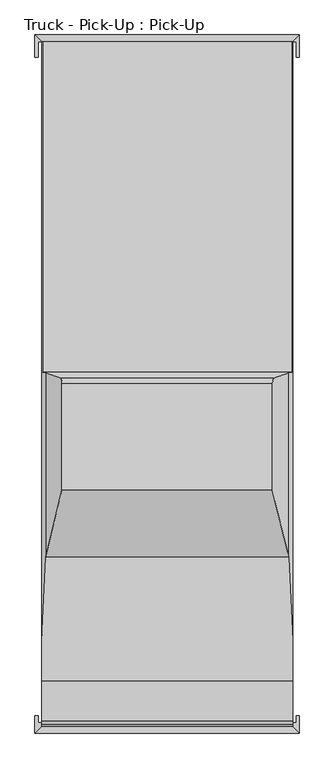
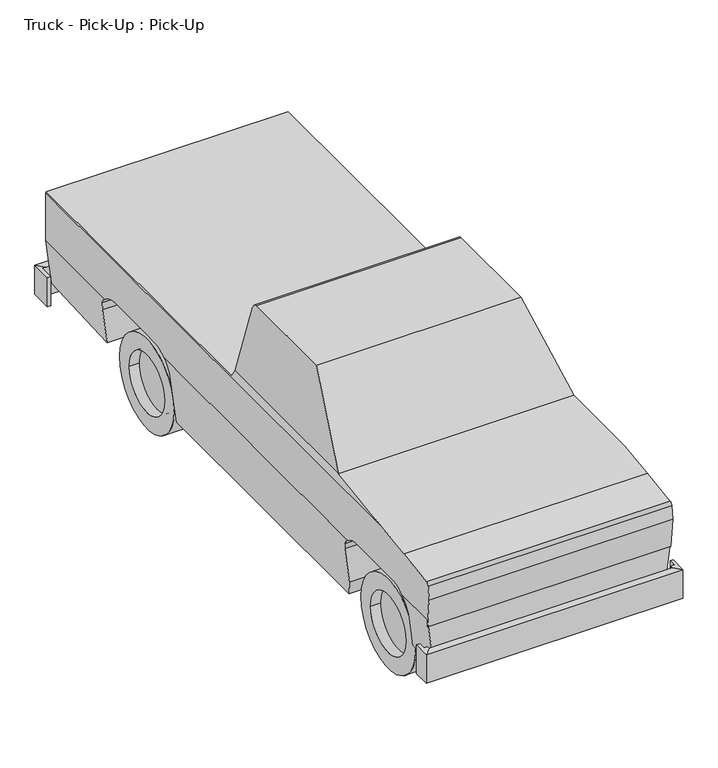
"""IFC4 building model written with IfcOpenShell, lengths in millimetres: geographic element geometry, Truck - Pick-Up : Pick-Up."""

from ifc_helpers import new_model, si_unit, point, frame, frame_2d, origin, place, context, project, spatial, polyline, circle_curve, ellipse_curve, trimmed, segment, composite_curve, outline, extrude, faceted_brep, source, transform, mapped, element, save
from ifc_brep_helpers import plane_surface, cylinder_surface, revolved_surface, advanced_brep


def truck_pick_up_pick_up_5e51b874(model_context):
    return source(origin(), model_context, "Body", "SolidModel", [
        faceted_brep([(-932.9615385, 2903.0203063, 623.3577003), (-932.9615385, 2903.0203063, 394.7577003), (-907.5615385, 2903.0203063, 394.7577003), (-907.5615385, 2903.0203063, 623.3577003), (-932.9615385, 3066.5615385, 394.7577003), (-882.1615385, 3015.7615385, 394.7577003), (-907.5615385, 3015.7615385, 394.7577003), (-882.1615385, 3015.7615385, 623.3577003), (-932.9615385, 3066.5615385, 623.3577003), (-907.5615385, 3015.7615385, 623.3577003), (943.1251801, 3015.7615385, 394.7577003), (993.9251801, 3066.5615385, 394.7577003), (972.0384615, 3015.7615385, 394.7577003), (972.0384615, 3015.7615385, 623.3577003), (943.1251801, 3015.7615385, 623.3577003), (993.9251801, 3066.5615385, 623.3577003), (993.9251801, 2903.0203063, 394.7577003), (993.9251801, 2903.0203063, 623.3577003), (972.0384615, 2903.0203063, 623.3577003), (972.0384615, 2903.0203063, 394.7577003)], [[[0, 1, 2, 3]], [[1, 4, 5, 6, 2]], [[7, 8, 0, 3, 9]], [[1, 0, 8, 4]], [[10, 5, 4, 11]], [[10, 12, 13, 14, 7, 9, 6, 5]], [[8, 7, 14, 15]], [[4, 8, 15, 11]], [[16, 17, 18, 19]], [[10, 11, 16, 19, 12]], [[15, 14, 13, 18, 17]], [[11, 15, 17, 16]], [[6, 9, 3, 2]], [[13, 12, 19, 18]]]),
        faceted_brep([(-932.9615385, -1899.6194827, 394.7577003), (-932.9615385, -1899.6194827, 623.3577003), (-907.5615385, -1899.6194827, 623.3577003), (-907.5615385, -1899.6194827, 394.7577003), (-932.9615385, -2026.6194827, 394.7577003), (-932.9615385, -2026.6194827, 623.3577003), (-882.1615385, -1975.8194827, 623.3577003), (-882.1615385, -1951.924276, 623.3577003), (-907.5615385, -1951.924276, 623.3577003), (-882.1615385, -1975.8194827, 394.7577003), (-882.1615385, -1951.924276, 394.7577003), (-907.5615385, -1951.924276, 394.7577003), (993.9251801, -2026.6194827, 394.7577003), (993.9251801, -2026.6194827, 623.3577003), (943.1251801, -1975.8194827, 623.3577003), (943.1251801, -1975.8194827, 394.7577003), (993.9251801, -1899.6194827, 623.3577003), (993.9251801, -1899.6194827, 394.7577003), (972.0384615, -1899.6194827, 394.7577003), (972.0384615, -1899.6194827, 623.3577003), (972.0384615, -1951.924276, 623.3577003), (943.1251801, -1951.924276, 623.3577003), (943.1251801, -1951.924276, 394.7577003), (972.0384615, -1951.924276, 394.7577003)], [[[0, 1, 2, 3]], [[1, 0, 4, 5]], [[1, 5, 6, 7, 8, 2]], [[6, 9, 10, 7]], [[4, 0, 3, 11, 10, 9]], [[5, 4, 12, 13]], [[6, 5, 13, 14]], [[9, 6, 14, 15]], [[4, 9, 15, 12]], [[16, 17, 18, 19]], [[13, 12, 17, 16]], [[14, 13, 16, 19, 20, 21]], [[15, 14, 21, 22]], [[12, 15, 22, 23, 18, 17]], [[11, 8, 7, 10]], [[20, 23, 22, 21]], [[8, 11, 3, 2]], [[23, 20, 19, 18]]]),
        advanced_brep(
        [(-882.1615385, 2103.6156034, 888.7336798), (-882.1615385, 1697.2156034, 888.7336798), (-882.1615385, 1614.7015006, 885.1455636), (-882.1615385, 1473.5121228, 837.1131584), (-882.1615385, -912.9817492, 837.1131584), (-882.1615385, -1053.9517054, 878.8872426), (-882.1615385, -1474.8105853, 878.8872426), (-882.1615385, -1617.7834877, 837.1131584), (-882.1615385, -1951.924276, 837.1131584), (-882.1615385, -1951.924276, 779.2411665), (-882.1615385, -1975.8194827, 1006.5888718), (-882.1615385, -1963.4375574, 1107.4315608), (-882.1615385, -1939.9042038, 1130.9649145), (-882.1615385, -1644.5045632, 1173.526104), (-882.1615385, -1353.2454526, 1210.3079682), (-882.1615385, 3015.7615385, 1210.3079682), (-882.1615385, 3015.7615385, 837.1131584), (-882.1615385, 2243.9728923, 837.1131584), (946.6384615, -1644.5045632, 1173.526104), (946.6384615, -1939.9042038, 1130.9649145), (946.6384615, -1963.4375574, 1107.4315608), (946.6384615, -1975.8194827, 1006.5888718), (946.6384615, -1951.924276, 779.2411665), (946.6384615, -1951.924276, 837.1131584), (946.6384615, -1617.7834877, 837.1131584), (946.6384615, -1474.8105853, 878.8872426), (946.6384615, -1053.9517054, 878.8872426), (946.6384615, -912.9817492, 837.1131584), (946.6384615, 1473.5121228, 837.1131584), (946.6384615, 1614.7015006, 885.1455636), (946.6384615, 1697.2156034, 888.7336798), (946.6384615, 2103.6156034, 888.7336798), (946.6384615, 2243.9728923, 837.1131584), (946.6384615, 3015.7615385, 837.1131584), (946.6384615, 3015.7615385, 1210.3079682), (946.6384615, -1353.2454526, 1210.3079682), (-876.2843723, 3015.7615385, 1219.2), (940.7612953, 3015.7615385, 1219.2), (902.1686195, 3015.7615385, 480.544728), (-837.6916964, 3015.7615385, 480.544728), (897.0369558, 2300.369269, 439.3979826), (-832.5600327, 2300.369269, 439.3979826), (930.9047354, 2300.369269, 710.9568741), (-866.4278123, 2300.369269, 710.9568741), (939.4838124, 2288.2399438, 779.7456957), (-875.0068893, 2288.2399438, 779.7456957), (944.2646239, 1453.4521306, 818.079235), (-879.7877008, 1453.4521306, 818.079235), (935.7642918, 1419.378607, 749.921807), (-871.2873687, 1419.378607, 749.921807), (884.1769157, 1419.378607, 336.2835102), (-819.6999926, 1419.378607, 336.2835102), (884.1769157, -823.559725, 336.2835102), (-819.6999926, -823.559725, 336.2835102), (898.6478484, -854.6501227, 452.314454), (-834.1709253, -854.6501227, 452.314454), (933.4935408, -854.6501227, 731.714454), (-869.0166178, -854.6501227, 731.714454), (939.6132416, -867.7981302, 780.783486), (-875.1363185, -867.7981302, 780.783486), (930.9350571, -1682.962287, 711.2), (-866.458134, -1682.962287, 711.2), (899.0315641, -1682.962287, 455.3911665), (-834.554641, -1682.962287, 455.3911665), (899.0315641, -1951.924276, 455.3911665), (-834.554641, -1951.924276, 455.3911665), (939.4208895, -1951.924276, 779.2411665), (-874.9439664, -1951.924276, 779.2411665), (917.6799973, -743.8423581, 1254.1215299), (-853.2030742, -743.8423581, 1254.1215299), (800.2028589, -255.2503888, 1778.0), (-735.7259358, -255.2503888, 1778.0), (800.2028589, 522.1190782, 1778.0), (-735.7259358, 522.1190782, 1778.0), (-743.5250355, 560.0740962, 1743.2206338), (808.0019586, 560.0740962, 1743.2206338), (917.6799973, 602.8647232, 1254.1215299), (940.7612953, 605.9199612, 1219.2), (-876.2843723, 605.9199612, 1219.2), (-853.2030742, 602.8647232, 1254.1215299)],
        [
            (0, 1),
            (1, 2),
            (2, 3, circle_curve(frame((-882.1615385, 1606.9552598, 676.3888042), z_axis=(1.0, 0.0, 0.0), x_axis=(0.0, -1.0, 0.0)), 208.900428)),
            (3, 4),
            (4, 5, circle_curve(frame((-882.1615385, -1031.5575926, 695.7137663), z_axis=(1.0, 0.0, 0.0), x_axis=(0.0, -1.0, 0.0)), 184.5373098)),
            (5, 6),
            (6, 7, circle_curve(frame((-882.1615385, -1498.8876828, 695.7404401), z_axis=(1.0, 0.0, 0.0), x_axis=(0.0, -1.0, 0.0)), 184.7226513)),
            (7, 8),
            (8, 9),
            (9, 10),
            (10, 11),
            (11, 12, circle_curve(frame((-882.1615385, -1939.9042038, 1107.4315608), z_axis=(-1.0, 0.0, 0.0), x_axis=(0.0, -1.0, 0.0)), 23.5333537)),
            (12, 13),
            (13, 14, circle_curve(frame((-882.1615385, -446.5414344, -7141.0412638), z_axis=(-1.0, 0.0, 0.0), x_axis=(0.0, -1.0, 0.0)), 8400.4253566)),
            (14, 15),
            (15, 16),
            (16, 17),
            (17, 0, circle_curve(frame((-882.1615385, 2109.2327636, 687.3793785), z_axis=(1.0, 0.0, 0.0), x_axis=(0.0, -1.0, 0.0)), 201.4326367)),
            (18, 19),
            (19, 20, circle_curve(frame((946.6384615, -1939.9042038, 1107.4315608), z_axis=(1.0, 0.0, 0.0), x_axis=(0.0, -1.0, 0.0)), 23.5333537)),
            (20, 21),
            (21, 22),
            (22, 23),
            (23, 24),
            (24, 25, circle_curve(frame((946.6384615, -1498.8876828, 695.7404401), z_axis=(-1.0, 0.0, 0.0), x_axis=(0.0, -1.0, 0.0)), 184.7226513)),
            (25, 26),
            (26, 27, circle_curve(frame((946.6384615, -1031.5575926, 695.7137663), z_axis=(-1.0, 0.0, 0.0), x_axis=(0.0, -1.0, 0.0)), 184.5373098)),
            (27, 28),
            (28, 29, circle_curve(frame((946.6384615, 1606.9552598, 676.3888042), z_axis=(-1.0, 0.0, 0.0), x_axis=(0.0, -1.0, 0.0)), 208.900428)),
            (29, 30),
            (30, 31),
            (31, 32, circle_curve(frame((946.6384615, 2109.2327636, 687.3793785), z_axis=(-1.0, 0.0, 0.0), x_axis=(0.0, -1.0, 0.0)), 201.4326367)),
            (32, 33),
            (33, 34),
            (34, 35),
            (35, 18, circle_curve(frame((946.6384615, -446.5414344, -7141.0412638), z_axis=(1.0, 0.0, 0.0), x_axis=(0.0, -1.0, 0.0)), 8400.4253566)),
            (15, 36),
            (36, 37),
            (37, 34),
            (33, 38),
            (38, 39),
            (39, 16),
            (38, 40),
            (40, 41),
            (41, 39),
            (40, 42),
            (42, 43),
            (43, 41),
            (42, 44),
            (44, 45),
            (45, 43),
            (31, 0),
            (17, 45, ellipse_curve(frame((-863.4873178, 2109.2327636, 687.3793785), z_axis=(-0.9923125046981068, 0.0, -0.12375739581847146), x_axis=(0.12375739581847015, 0.0, -0.9923125046981068)), 202.9931455, 201.4326367)),
            (44, 32, ellipse_curve(frame((927.9642409, 2109.2327636, 687.3793785), z_axis=(0.992312504698106, 0.0, -0.12375739581847864), x_axis=(0.12375739581847735, 0.0, 0.9923125046981061)), 202.9931455, 201.4326367)),
            (30, 1),
            (29, 2),
            (28, 46, ellipse_curve(frame((926.5935388, 1606.9552598, 676.3888042), z_axis=(0.992312504698106, 0.0, -0.12375739581847864), x_axis=(0.12375739581847735, 0.0, 0.9923125046981061)), 210.5187902, 208.900428)),
            (46, 47),
            (47, 3, ellipse_curve(frame((-862.1166157, 1606.9552598, 676.3888042), z_axis=(-0.9923125046981068, 0.0, -0.12375739581847146), x_axis=(0.12375739581847015, 0.0, -0.9923125046981068)), 210.5187902, 208.900428)),
            (46, 48),
            (48, 49),
            (49, 47),
            (48, 50),
            (50, 51),
            (51, 49),
            (50, 52),
            (52, 53),
            (53, 51),
            (52, 54),
            (54, 55),
            (55, 53),
            (54, 56),
            (56, 57),
            (57, 55),
            (56, 58),
            (58, 59),
            (59, 57),
            (26, 5),
            (4, 59, ellipse_curve(frame((-864.5267506, -1031.5575926, 695.7137663), z_axis=(-0.9923125046981068, 0.0, -0.12375739581847146), x_axis=(0.12375739581847015, 0.0, -0.9923125046981068)), 185.9669297, 184.5373098)),
            (58, 27, ellipse_curve(frame((929.0036737, -1031.5575926, 695.7137663), z_axis=(0.992312504698106, 0.0, -0.12375739581847864), x_axis=(0.12375739581847735, 0.0, 0.9923125046981061)), 185.9669297, 184.5373098)),
            (25, 6),
            (24, 60, ellipse_curve(frame((929.0070003, -1498.8876828, 695.7404401), z_axis=(0.992312504698106, 0.0, -0.12375739581847864), x_axis=(0.12375739581847735, 0.0, 0.9923125046981061)), 186.153707, 184.7226513)),
            (60, 61),
            (61, 7, ellipse_curve(frame((-864.5300772, -1498.8876828, 695.7404401), z_axis=(-0.9923125046981068, 0.0, -0.12375739581847146), x_axis=(0.12375739581847015, 0.0, -0.9923125046981068)), 186.153707, 184.7226513)),
            (60, 62),
            (62, 63),
            (63, 61),
            (62, 64),
            (64, 65),
            (65, 63),
            (64, 66),
            (66, 67),
            (67, 65),
            (9, 67),
            (66, 22),
            (21, 10),
            (20, 11),
            (19, 12),
            (18, 13),
            (35, 68, ellipse_curve(frame((6466.4418903, -446.5414344, -7141.0412638), z_axis=(-0.8342458244432356, 0.0, -0.5513926952717331), x_axis=(-0.5513926952717327, 0.0, 0.8342458244432356)), 10069.4844499, 8400.4253566)),
            (68, 69),
            (69, 14, ellipse_curve(frame((-6401.9649673, -446.5414344, -7141.0412638), z_axis=(0.8342458244429464, 0.0, -0.5513926952721706), x_axis=(-0.5513926952721705, 0.0, -0.8342458244429464)), 10069.4844499, 8400.4253566)),
            (68, 70),
            (70, 71),
            (71, 69),
            (70, 72),
            (72, 73),
            (73, 71),
            (74, 75),
            (75, 76),
            (76, 77),
            (77, 78),
            (78, 79),
            (79, 74),
            (36, 78),
            (77, 37),
            (8, 67),
            (66, 23),
            (69, 79),
            (73, 74, ellipse_curve(frame((-744.2696711, 522.1190782, 1739.9), z_axis=(-0.9757672710776873, 0.0, 0.21881095195077246), x_axis=(-0.21881095195077144, 0.0, -0.9757672710776873)), 39.0461959, 38.1)),
            (68, 76),
            (75, 72, ellipse_curve(frame((808.7465942, 522.1190782, 1739.9), z_axis=(0.9757672710776955, 0.0, 0.21881095195073574), x_axis=(-0.21881095195073558, 0.0, 0.9757672710776955)), 39.0461959, 38.1)),
        ],
        [
            plane_surface(frame((-882.1615385, 3015.7615385, 480.544728), z_axis=(-1.0, 0.0, 0.0), x_axis=(0.0, 0.0, -1.0))),
            plane_surface(frame((946.6384615, 3015.7615385, 480.544728), z_axis=(1.0, 0.0, 0.0), x_axis=(0.0, 0.0, 1.0))),
            plane_surface(frame((-882.1615385, 3015.7615385, 1219.2), z_axis=(0.0, 1.0, 0.0), x_axis=(1.0, 0.0, 0.0))),
            plane_surface(frame((-882.1615385, 3015.7615385, 480.544728), z_axis=(0.0, 0.05742144008010288, -0.9983500279056075), x_axis=(1.0, 0.0, 0.0))),
            plane_surface(frame((-882.1615385, 2300.369269, 439.3979826), z_axis=(0.0, -1.0, 0.0), x_axis=(1.0, 0.0, 0.0))),
            plane_surface(frame((-882.1615385, 2300.369269, 710.9568741), z_axis=(0.0, -0.9848077530122078, -0.17364817766693216), x_axis=(1.0, 0.0, 0.0))),
            revolved_surface(polyline([(953.0861439560813, 1907.8001269000001, 687.3793785), (-888.6092208560799, 1907.8001269000001, 687.3793785)]), (946.6384615, 2109.2327636, 687.3793785), (1.0, 0.0, 0.0)),
            plane_surface(frame((-882.1615385, 2103.6156034, 888.7336798), z_axis=(0.0, 0.0, -1.0), x_axis=(1.0, 0.0, 0.0))),
            plane_surface(frame((-882.1615385, 1697.2156034, 888.7336798), z_axis=(0.0, 0.04344382849430752, -0.9990558711932768), x_axis=(1.0, 0.0, 0.0))),
            revolved_surface(polyline([(952.6467960460084, 1398.0548318, 676.3888042), (-888.169872946007, 1398.0548318, 676.3888042)]), (946.6384615, 1606.9552598, 676.3888042), (1.0, 0.0, 0.0)),
            plane_surface(frame((-882.1615385, 1453.4521306, 818.079235), z_axis=(0.0, 0.8944544352885822, -0.44715910277280924), x_axis=(1.0, 0.0, 0.0))),
            plane_surface(frame((-882.1615385, 1419.378607, 749.921807), z_axis=(0.0, 1.0, 0.0), x_axis=(1.0, 0.0, 0.0))),
            plane_surface(frame((-882.1615385, 1419.378607, 336.2835102), z_axis=(0.0, 0.0, -1.0), x_axis=(1.0, 0.0, 0.0))),
            plane_surface(frame((-882.1615385, -823.559725, 336.2835102), z_axis=(0.0, -0.965925826289069, -0.2588190451025183), x_axis=(1.0, 0.0, 0.0))),
            plane_surface(frame((-882.1615385, -854.6501227, 452.314454), z_axis=(0.0, -1.0, 0.0), x_axis=(1.0, 0.0, 0.0))),
            plane_surface(frame((-882.1615385, -854.6501227, 731.714454), z_axis=(0.0, -0.9659258262890823, -0.25881904510246856), x_axis=(1.0, 0.0, 0.0))),
            revolved_surface(polyline([(952.0184566280299, -1216.0949024, 695.7137663), (-887.5415335280286, -1216.0949024, 695.7137663)]), (946.6384615, -1031.5575926, 695.7137663), (1.0, 0.0, 0.0)),
            plane_surface(frame((-882.1615385, -1053.9517054, 878.8872426), z_axis=(0.0, 0.0, -1.0), x_axis=(1.0, 0.0, 0.0))),
            revolved_surface(polyline([(952.0448983002758, -1683.6103341, 695.7404401), (-887.5679752002745, -1683.6103341, 695.7404401)]), (946.6384615, -1498.8876828, 695.7404401), (1.0, 0.0, 0.0)),
            plane_surface(frame((-882.1615385, -1682.962287, 711.2), z_axis=(0.0, 1.0, 0.0), x_axis=(1.0, 0.0, 0.0))),
            plane_surface(frame((-882.1615385, -1682.962287, 455.3911665), z_axis=(0.0, 0.0, -1.0), x_axis=(1.0, 0.0, 0.0))),
            plane_surface(frame((-882.1615385, -1951.924276, 455.3911665), z_axis=(0.0, -1.0, 0.0), x_axis=(1.0, 0.0, 0.0))),
            plane_surface(frame((-882.1615385, -1951.924276, 779.2411665), z_axis=(0.0, -0.9945218953682735, -0.10452846326765226), x_axis=(1.0, 0.0, 0.0))),
            plane_surface(frame((-882.1615385, -1975.8194827, 1006.5888718), z_axis=(0.0, -0.9925461516413229, 0.12186934340514104), x_axis=(1.0, 0.0, 0.0))),
            cylinder_surface(frame((946.6384615, -1939.9042038, 1107.4315608), z_axis=(-1.0, 0.0, 0.0), x_axis=(0.0, -1.0, 0.0)), 23.5333537),
            plane_surface(frame((-882.1615385, -1939.9042038, 1130.9649145), z_axis=(0.0, -0.1426074368747531, 0.9897793284101327), x_axis=(1.0, 0.0, 0.0))),
            cylinder_surface(frame((946.6384615, -446.5414344, -7141.0412638), z_axis=(-1.0, 0.0, 0.0), x_axis=(0.0, -1.0, 0.0)), 8400.4253566),
            plane_surface(frame((-882.1615385, -743.8423581, 1254.1215299), z_axis=(0.0, -0.7313067761874522, 0.6820486779565779), x_axis=(1.0, 0.0, 0.0))),
            plane_surface(frame((-882.1615385, -255.2503888, 1778.0), z_axis=(0.0, 0.0, 1.0), x_axis=(1.0, 0.0, 0.0))),
            plane_surface(frame((-882.1615385, 560.0740962, 1743.2206338), z_axis=(0.0, 0.9961946980917455, 0.08715574274765842), x_axis=(1.0, 0.0, 0.0))),
            plane_surface(frame((-882.1615385, 605.9199612, 1219.2), z_axis=(0.0, 0.0, 1.0), x_axis=(1.0, 0.0, 0.0))),
            plane_surface(frame((-730.4934031, -1951.924276, 305.3311322), z_axis=(0.0, 1.0, 0.0), x_axis=(1.0, 0.0, 0.0))),
            plane_surface(frame((-815.8397312, -1951.924276, 305.3311322), z_axis=(-0.9923125046981068, 0.0, -0.12375739581847146), x_axis=(0.0, 1.0, 0.0))),
            plane_surface(frame((-884.2900076, -1951.924276, 1207.0876381), z_axis=(-0.8342458244429464, 0.0, 0.5513926952721706), x_axis=(0.0, 1.0, 0.0))),
            plane_surface(frame((-853.2030742, -1951.924276, 1254.1215299), z_axis=(-0.9757672710776873, 0.0, 0.21881095195077246), x_axis=(0.0, 1.0, 0.0))),
            plane_surface(frame((800.2028589, -1951.924276, 1778.0), z_axis=(0.9757672710776955, 0.0, 0.21881095195073574), x_axis=(0.0, 1.0, 0.0))),
            plane_surface(frame((917.6799973, -1951.924276, 1254.1215299), z_axis=(0.8342458244432356, 0.0, 0.5513926952717331), x_axis=(0.0, 1.0, 0.0))),
            plane_surface(frame((948.7669307, -1951.924276, 854.1796662), z_axis=(0.992312504698106, 0.0, -0.12375739581847864), x_axis=(0.0, 1.0, 0.0))),
            cylinder_surface(frame((946.6384615, 522.1190782, 1739.9), z_axis=(-1.0, 0.0, 0.0), x_axis=(0.0, -1.0, 0.0)), 38.1),
        ],
        [
            (0, [[1, 2, 3, 4, 5, 6, 7, 8, 9, 10, 11, 12, 13, 14, 15, 16, 17, 18]]),
            (1, [[19, 20, 21, 22, 23, 24, 25, 26, 27, 28, 29, 30, 31, 32, 33, 34, 35, 36]]),
            (2, [[-16, 37, 38, 39, -34, 40, 41, 42]]),
            (3, [[-41, 43, 44, 45]]),
            (4, [[-44, 46, 47, 48]]),
            (5, [[-47, 49, 50, 51]]),
            (6, [[52, -18, 53, -50, 54, -32]]),
            (7, [[-1, -52, -31, 55]]),
            (8, [[-2, -55, -30, 56]]),
            (9, [[-56, -29, 57, 58, 59, -3]]),
            (10, [[-58, 60, 61, 62]]),
            (11, [[-61, 63, 64, 65]]),
            (12, [[-64, 66, 67, 68]]),
            (13, [[-67, 69, 70, 71]]),
            (14, [[-70, 72, 73, 74]]),
            (15, [[-73, 75, 76, 77]]),
            (16, [[78, -5, 79, -76, 80, -27]]),
            (17, [[-6, -78, -26, 81]]),
            (18, [[-81, -25, 82, 83, 84, -7]]),
            (19, [[-83, 85, 86, 87]]),
            (20, [[-86, 88, 89, 90]]),
            (21, [[-89, 91, 92, 93]]),
            (22, [[-10, 94, -92, 95, -22, 96]]),
            (23, [[-11, -96, -21, 97]]),
            (24, [[-12, -97, -20, 98]]),
            (25, [[-13, -98, -19, 99]]),
            (26, [[-99, -36, 100, 101, 102, -14]]),
            (27, [[-101, 103, 104, 105]]),
            (28, [[-104, 106, 107, 108]]),
            (29, [[109, 110, 111, 112, 113, 114]]),
            (30, [[-38, 115, -112, 116]]),
            (31, [[117, -94, -9]]),
            (31, [[118, -23, -95]]),
            (32, [[-4, -59, -62, -65, -68, -71, -74, -77, -79]]),
            (32, [[-17, -42, -45, -48, -51, -53]]),
            (32, [[-117, -8, -84, -87, -90, -93]]),
            (33, [[119, -113, -115, -37, -15, -102]]),
            (34, [[-119, -105, -108, 120, -114]]),
            (35, [[121, -110, 122, -106, -103]]),
            (36, [[-121, -100, -35, -39, -116, -111]]),
            (37, [[-28, -80, -75, -72, -69, -66, -63, -60, -57]]),
            (37, [[-33, -54, -49, -46, -43, -40]]),
            (37, [[-118, -91, -88, -85, -82, -24]]),
            (38, [[-107, -122, -109, -120]]),
        ],
    ),
        extrude(outline(composite_curve([segment(trimmed(circle_curve(frame_2d((1872.7733891, 355.6)), 228.6), [point((1644.1733891, 355.6))], [point((2101.3733891, 355.6))], False, "CARTESIAN"), True, "CONTINUOUS"), segment(trimmed(circle_curve(frame_2d((1872.7733891, 355.6)), 228.6), [point((2101.3733891, 355.6))], [point((1644.1733891, 355.6))], False, "CARTESIAN"), True, "CONTINUOUS")], self_intersect=False)), frame((641.7586115, 0.0, 0.0), z_axis=(1.0, 0.0, 0.0), x_axis=(0.0, 1.0, 0.0)), (0.0, 0.0, 1.0), 127.8117146),
        extrude(outline(composite_curve([segment(trimmed(circle_curve(frame_2d((-1267.5375629, 355.6)), 228.6), [point((-1496.1375629, 355.6))], [point((-1038.9375629, 355.6))], False, "CARTESIAN"), True, "CONTINUOUS"), segment(trimmed(circle_curve(frame_2d((-1267.5375629, 355.6)), 228.6), [point((-1038.9375629, 355.6))], [point((-1496.1375629, 355.6))], False, "CARTESIAN"), True, "CONTINUOUS")], self_intersect=False)), frame((641.7586115, 0.0, 0.0), z_axis=(1.0, 0.0, 0.0), x_axis=(0.0, 1.0, 0.0)), (0.0, 0.0, 1.0), 127.8117146),
        extrude(outline(composite_curve([segment(trimmed(circle_curve(frame_2d((1872.7733891, 355.6)), 355.6), [point((1517.1733891, 355.6))], [point((2228.3733891, 355.6))], False, "CARTESIAN"), True, "CONTINUOUS"), segment(trimmed(circle_curve(frame_2d((1872.7733891, 355.6)), 355.6), [point((2228.3733891, 355.6))], [point((1517.1733891, 355.6))], False, "CARTESIAN"), True, "CONTINUOUS")], self_intersect=False), holes=[composite_curve([segment(trimmed(circle_curve(frame_2d((1872.7733891, 355.6)), 228.6), [point((2101.3733891, 355.6))], [point((1644.1733891, 355.6))], True, "CARTESIAN"), True, "CONTINUOUS"), segment(trimmed(circle_curve(frame_2d((1872.7733891, 355.6)), 228.6), [point((1644.1733891, 355.6))], [point((2101.3733891, 355.6))], True, "CARTESIAN"), True, "CONTINUOUS")], self_intersect=False)]), frame((641.8384615, 0.0, 0.0), z_axis=(1.0, 0.0, 0.0), x_axis=(0.0, 1.0, 0.0)), (0.0, 0.0, 1.0), 203.2),
        extrude(outline(composite_curve([segment(trimmed(circle_curve(frame_2d((-1267.5375629, 355.6)), 355.6), [point((-911.9375629, 355.6))], [point((-1623.1375629, 355.6))], False, "CARTESIAN"), True, "CONTINUOUS"), segment(trimmed(circle_curve(frame_2d((-1267.5375629, 355.6)), 355.6), [point((-1623.1375629, 355.6))], [point((-911.9375629, 355.6))], False, "CARTESIAN"), True, "CONTINUOUS")], self_intersect=False), holes=[composite_curve([segment(trimmed(circle_curve(frame_2d((-1267.5375629, 355.6)), 228.6), [point((-1038.9375629, 355.6))], [point((-1496.1375629, 355.6))], True, "CARTESIAN"), True, "CONTINUOUS"), segment(trimmed(circle_curve(frame_2d((-1267.5375629, 355.6)), 228.6), [point((-1496.1375629, 355.6))], [point((-1038.9375629, 355.6))], True, "CARTESIAN"), True, "CONTINUOUS")], self_intersect=False)]), frame((641.8384615, 0.0, 0.0), z_axis=(1.0, 0.0, 0.0), x_axis=(0.0, 1.0, 0.0)), (0.0, 0.0, 1.0), 203.2),
        extrude(outline(composite_curve([segment(trimmed(circle_curve(frame_2d((1872.7733891, 355.6)), 228.6), [point((1644.1733891, 355.6))], [point((2101.3733891, 355.6))], False, "CARTESIAN"), True, "CONTINUOUS"), segment(trimmed(circle_curve(frame_2d((1872.7733891, 355.6)), 228.6), [point((2101.3733891, 355.6))], [point((1644.1733891, 355.6))], False, "CARTESIAN"), True, "CONTINUOUS")], self_intersect=False)), frame((-705.0934031, 0.0, 0.0), z_axis=(1.0, 0.0, 0.0), x_axis=(0.0, 1.0, 0.0)), (0.0, 0.0, 1.0), 127.8117146),
        extrude(outline(composite_curve([segment(trimmed(circle_curve(frame_2d((-1267.5375629, 355.6)), 228.6), [point((-1496.1375629, 355.6))], [point((-1038.9375629, 355.6))], False, "CARTESIAN"), True, "CONTINUOUS"), segment(trimmed(circle_curve(frame_2d((-1267.5375629, 355.6)), 228.6), [point((-1038.9375629, 355.6))], [point((-1496.1375629, 355.6))], False, "CARTESIAN"), True, "CONTINUOUS")], self_intersect=False)), frame((-705.0934031, 0.0, 0.0), z_axis=(1.0, 0.0, 0.0), x_axis=(0.0, 1.0, 0.0)), (0.0, 0.0, 1.0), 127.8117146),
        extrude(outline(composite_curve([segment(polyline([(2300.369269, 456.9336798), (1419.378607, 456.9336798), (1419.378607, 749.921807), (1453.4521306, 818.079235)]), True, "CONTINUOUS"), segment(trimmed(circle_curve(frame_2d((1606.9552598, 676.3888042)), 208.900428), [point((1453.4521306, 818.079235))], [point((1614.7015006, 885.1455636))], False, "CARTESIAN"), True, "CONTINUOUS"), segment(polyline([(1614.7015006, 885.1455636), (1697.2156034, 888.7336798), (2103.6156034, 888.7336798)]), True, "CONTINUOUS"), segment(trimmed(circle_curve(frame_2d((2109.2327636, 687.3793785)), 201.4326367), [point((2103.6156034, 888.7336798))], [point((2288.2399438, 779.7456957))], False, "CARTESIAN"), True, "CONTINUOUS"), segment(polyline([(2288.2399438, 779.7456957), (2300.369269, 710.9568741), (2300.369269, 456.9336798)]), True, "CONTINUOUS")], self_intersect=False)), frame((520.2761241, 0.0, 0.0), z_axis=(1.0, 0.0, 0.0), x_axis=(0.0, 1.0, 0.0)), (0.0, 0.0, 1.0), 35.321875),
        extrude(outline(composite_curve([segment(polyline([(2300.369269, 456.9336798), (1419.378607, 456.9336798), (1419.378607, 749.921807), (1453.4521306, 818.079235)]), True, "CONTINUOUS"), segment(trimmed(circle_curve(frame_2d((1606.9552598, 676.3888042)), 208.900428), [point((1453.4521306, 818.079235))], [point((1614.7015006, 885.1455636))], False, "CARTESIAN"), True, "CONTINUOUS"), segment(polyline([(1614.7015006, 885.1455636), (1697.2156034, 888.7336798), (2103.6156034, 888.7336798)]), True, "CONTINUOUS"), segment(trimmed(circle_curve(frame_2d((2109.2327636, 687.3793785)), 201.4326367), [point((2103.6156034, 888.7336798))], [point((2288.2399438, 779.7456957))], False, "CARTESIAN"), True, "CONTINUOUS"), segment(polyline([(2288.2399438, 779.7456957), (2300.369269, 710.9568741), (2300.369269, 456.9336798)]), True, "CONTINUOUS")], self_intersect=False)), frame((-484.8485994, 0.0, 0.0), z_axis=(1.0, 0.0, 0.0), x_axis=(0.0, 1.0, 0.0)), (0.0, 0.0, 1.0), 47.0684735),
        extrude(outline(polyline([(520.2761241, 2300.369269), (520.2761241, 1419.378607), (-437.7696481, 1419.378607), (-437.7696481, 2300.369269), (520.2761241, 2300.369269)])), frame((0.0, 0.0, 595.9078125), z_axis=(0.0, 0.0, 1.0), x_axis=(1.0, 0.0, 0.0)), (0.0, 0.0, 1.0), 27.7189478),
        extrude(outline(composite_curve([segment(trimmed(circle_curve(frame_2d((1872.7733891, 355.6)), 355.6), [point((1517.1733891, 355.6))], [point((2228.3733891, 355.6))], False, "CARTESIAN"), True, "CONTINUOUS"), segment(trimmed(circle_curve(frame_2d((1872.7733891, 355.6)), 355.6), [point((2228.3733891, 355.6))], [point((1517.1733891, 355.6))], False, "CARTESIAN"), True, "CONTINUOUS")], self_intersect=False), holes=[composite_curve([segment(trimmed(circle_curve(frame_2d((1872.7733891, 355.6)), 228.6), [point((2101.3733891, 355.6))], [point((1644.1733891, 355.6))], True, "CARTESIAN"), True, "CONTINUOUS"), segment(trimmed(circle_curve(frame_2d((1872.7733891, 355.6)), 228.6), [point((1644.1733891, 355.6))], [point((2101.3733891, 355.6))], True, "CARTESIAN"), True, "CONTINUOUS")], self_intersect=False)]), frame((-780.5615385, 0.0, 0.0), z_axis=(1.0, 0.0, 0.0), x_axis=(0.0, 1.0, 0.0)), (0.0, 0.0, 1.0), 203.2),
        extrude(outline(composite_curve([segment(trimmed(circle_curve(frame_2d((-1267.5375629, 355.6)), 355.6), [point((-911.9375629, 355.6))], [point((-1623.1375629, 355.6))], False, "CARTESIAN"), True, "CONTINUOUS"), segment(trimmed(circle_curve(frame_2d((-1267.5375629, 355.6)), 355.6), [point((-1623.1375629, 355.6))], [point((-911.9375629, 355.6))], False, "CARTESIAN"), True, "CONTINUOUS")], self_intersect=False), holes=[composite_curve([segment(trimmed(circle_curve(frame_2d((-1267.5375629, 355.6)), 228.6), [point((-1038.9375629, 355.6))], [point((-1496.1375629, 355.6))], True, "CARTESIAN"), True, "CONTINUOUS"), segment(trimmed(circle_curve(frame_2d((-1267.5375629, 355.6)), 228.6), [point((-1496.1375629, 355.6))], [point((-1038.9375629, 355.6))], True, "CARTESIAN"), True, "CONTINUOUS")], self_intersect=False)]), frame((-780.5615385, 0.0, 0.0), z_axis=(1.0, 0.0, 0.0), x_axis=(0.0, 1.0, 0.0)), (0.0, 0.0, 1.0), 203.2),
    ])


if __name__ == "__main__":
    model = new_model("IFC4")
    model_context = context("Model", 3, world=origin())
    ifc_project = project(units=[si_unit("LENGTHUNIT", "METRE", prefix="MILLI")], contexts=[model_context])
    site = spatial("IfcSite", under=ifc_project)
    building = spatial("IfcBuilding", under=site)
    placement = place(None, origin())
    truck_pick_up_pick_up_shape = truck_pick_up_pick_up_5e51b874(model_context)
    element("IfcGeographicElement", 1, ObjectType="Truck - Pick-Up : Pick-Up", at=placement, inside=building, context=model_context, shape_type="MappedRepresentation", body=[
        mapped(truck_pick_up_pick_up_shape, transform((0.0, 0.0, 0.0), x_axis=(1.0, 0.0, 0.0), y_axis=(0.0, 1.0, 0.0), z_axis=(0.0, 0.0, 1.0))),
    ])
    save(model, "model.ifc")
